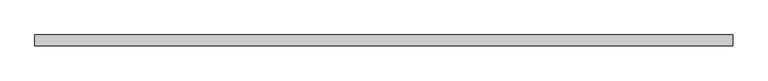
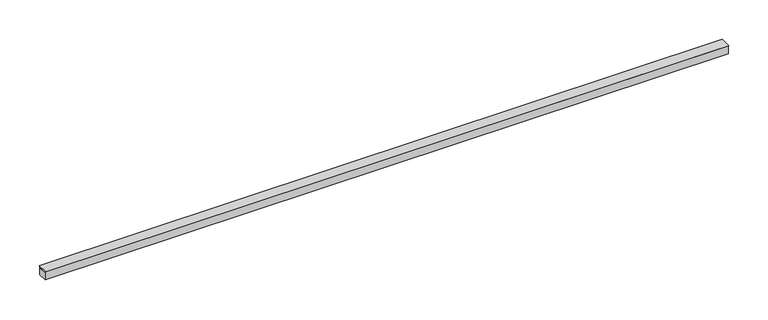
"""IFC4 building model written with IfcOpenShell, lengths in millimetres: light fixture geometry."""

from ifc_helpers import new_model, si_unit, frame, origin, place, context, project, spatial, polyline, outline, extrude, source, transform, mapped, element, save


def light_fixture_3c7b2045(model_context):
    return source(origin(), model_context, "Body", "SweptSolid", [
        extrude(outline(polyline([(-4.0052359, 10.5052359), (-7.8730995, 13.078125), (7.9375817, 13.078125), (4.0697181, 10.5052359), (-4.0052359, 10.5052359)])), frame((-500.0, 0.0, 0.0), z_axis=(1.0, 0.0, 0.0), x_axis=(0.0, 1.0, 0.0)), (0.0, 0.0, 1.0), 1000.0),
        extrude(outline(polyline([(-6.5, 0.0), (-6.5, 12.1647441), (-4.0052359, 10.5052359), (4.0442984, 10.5052359), (6.5, 12.1387599), (6.5, 0.0), (-6.5, 0.0)])), frame((-500.0, 0.0, 0.0), z_axis=(1.0, 0.0, 0.0), x_axis=(0.0, 1.0, 0.0)), (0.0, 0.0, 1.0), 1000.0),
    ])


if __name__ == "__main__":
    model = new_model("IFC4")
    model_context = context("Model", 3, world=origin())
    ifc_project = project(units=[si_unit("LENGTHUNIT", "METRE", prefix="MILLI")], contexts=[model_context])
    site = spatial("IfcSite", under=ifc_project)
    building = spatial("IfcBuilding", under=site)
    placement = place(None, origin())
    light_fixture_shape = light_fixture_3c7b2045(model_context)
    element("IfcLightFixture", 1, at=placement, inside=building, context=model_context, shape_type="MappedRepresentation", body=[
        mapped(light_fixture_shape, transform((0.0, 0.0, 0.0), x_axis=(1.0, 0.0, 0.0), y_axis=(0.0, 1.0, 0.0), z_axis=(0.0, 0.0, 1.0))),
    ])
    save(model, "model.ifc")
